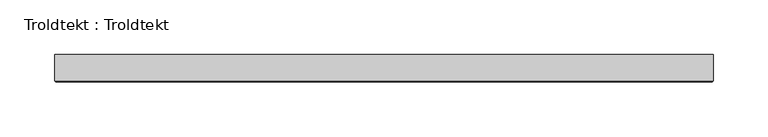
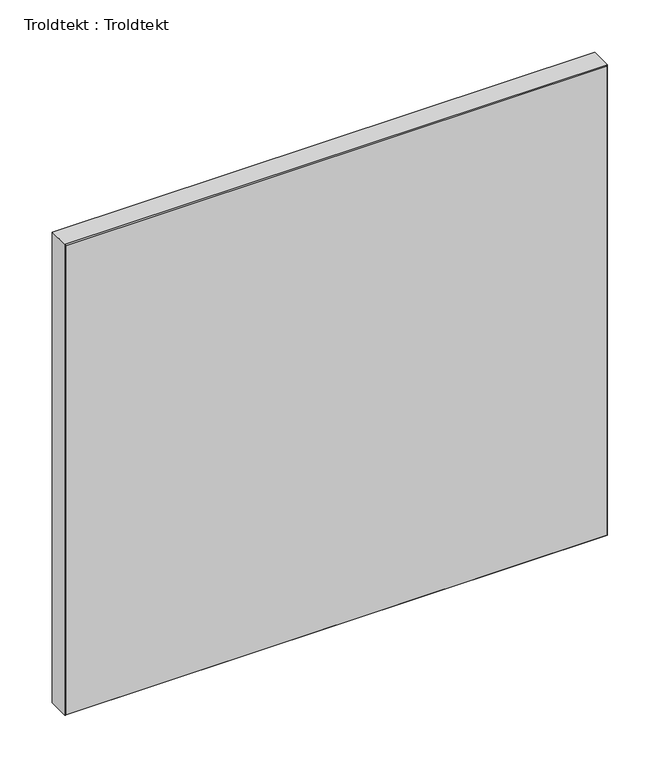
"""IFC4 building model written with IfcOpenShell, lengths in millimetres: proxy geometry, Troldtekt : Troldtekt."""

from ifc_helpers import new_model, si_unit, origin, place, context, project, spatial, faceted_brep, source, transform, mapped, element, save


def troldtekt_troldtekt_234c50af(model_context):
    return source(origin(), model_context, "Body", "Brep", [
        faceted_brep([(-300.0, 12.5, 549.9999998), (-300.0, -11.495044, 549.9999998), (300.0, -11.495044, 549.9999998), (300.0, 12.5, 549.9999998), (300.0, 12.5, 0.0), (300.0, -11.495044, 0.0), (-300.0, -11.495044, 0.0), (-300.0, 12.5, 0.0), (-298.995044, -12.5, 1.004956), (298.995044, -12.5, 1.004956), (298.995044, -12.5, 548.9950439), (-298.995044, -12.5, 548.9950439)], [[[0, 1, 2, 3]], [[4, 5, 6, 7]], [[8, 9, 10, 11]], [[7, 6, 1, 0]], [[3, 4, 7, 0]], [[3, 2, 5, 4]], [[8, 11, 1, 6]], [[6, 5, 9, 8]], [[5, 2, 10, 9]], [[2, 1, 11, 10]]]),
    ])


if __name__ == "__main__":
    model = new_model("IFC4")
    model_context = context("Model", 3, world=origin())
    ifc_project = project(units=[si_unit("LENGTHUNIT", "METRE", prefix="MILLI")], contexts=[model_context])
    site = spatial("IfcSite", under=ifc_project)
    building = spatial("IfcBuilding", under=site)
    placement = place(None, origin())
    troldtekt_troldtekt_shape = troldtekt_troldtekt_234c50af(model_context)
    element("IfcBuildingElementProxy", 1, Name="Troldtekt : Troldtekt", ObjectType="Troldtekt : Troldtekt", at=placement, inside=building, context=model_context, shape_type="MappedRepresentation", body=[
        mapped(troldtekt_troldtekt_shape, transform((0.0, 0.0, 0.0), x_axis=(1.0, 0.0, 0.0), y_axis=(0.0, 1.0, 0.0), z_axis=(0.0, 0.0, 1.0))),
    ])
    save(model, "model.ifc")
